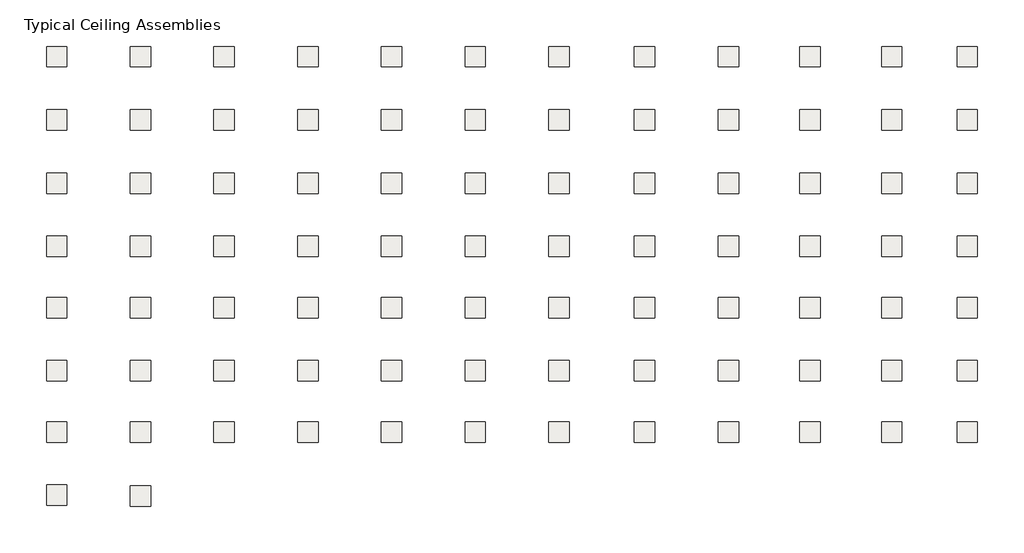
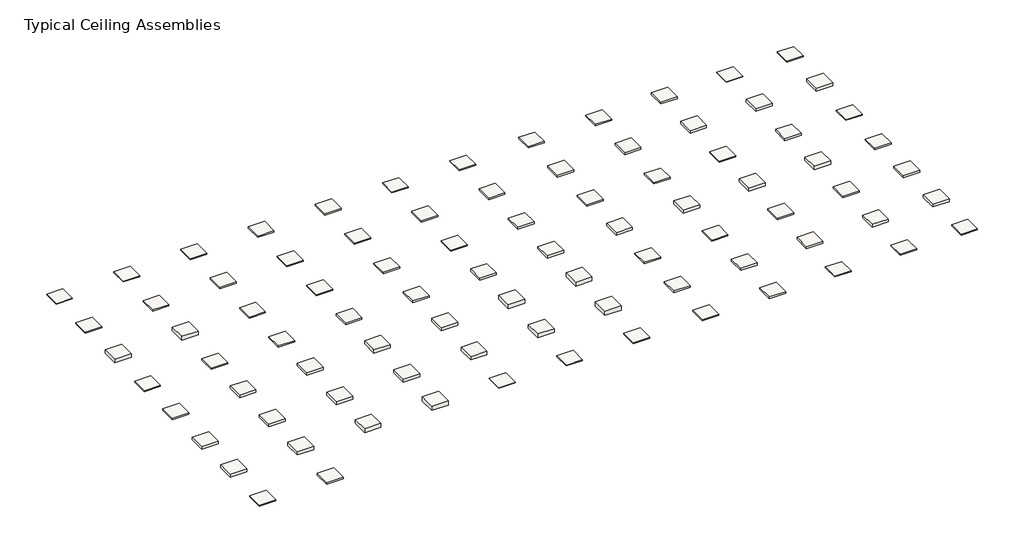
# One storey: 86 coverings.
"""IFC4 building model written with IfcOpenShell, lengths in millimetres."""

import ifcopenshell
import ifcopenshell.guid

model = None  # the IFC model being written
_history = None  # IfcOwnerHistory: only IFC2X3 demands one
_inside = {}  # id of a spatial element -> (the spatial element, [elements in it])
_under = {}  # id of a project, library or spatial element -> (it, [spatial elements below it])
_declared = {}  # id of a project -> (the project, [libraries it declares])
_typed = {}  # id of a type object -> (the type object, [elements of that type])
_made_of = {}  # id of a material, layer set ... -> (it, [elements and type objects made of it])


def new_model(schema):
    """Start an empty IFC model of exactly this schema.

    Asked for "IFC4X3", IfcOpenShell would pick the latest addendum, in which some entities
    have other attributes; the version numbers below select the first issue.
    IFC2X3 requires an IfcOwnerHistory on every rooted entity: one is made here for all.
    """
    global model, _history
    if schema == "IFC4X3":
        model = ifcopenshell.file(schema_version=(4, 3, 0, 0))
    else:
        model = ifcopenshell.file(schema=schema)
    _inside.clear()
    _under.clear()
    _declared.clear()
    _typed.clear()
    _made_of.clear()
    _history = None
    if model.schema == "IFC2X3":
        org = make("IfcOrganization", Name="unknown")
        user = make(
            "IfcPersonAndOrganization",
            ThePerson=make("IfcPerson", FamilyName="unknown"),
            TheOrganization=org,
        )
        app = make(
            "IfcApplication",
            ApplicationDeveloper=org,
            Version="unknown",
            ApplicationFullName="unknown",
            ApplicationIdentifier="unknown",
        )
        _history = make(
            "IfcOwnerHistory",
            OwningUser=user,
            OwningApplication=app,
            ChangeAction="ADDED",
            CreationDate=0,
        )
    return model


def make(cls, **values):
    """One entity of the class cls with the attributes given. An attribute that is None is left unset."""
    return model.create_entity(
        cls, **{name: value for name, value in values.items() if value is not None}
    )


def rooted(cls, **values):
    """An entity with a GlobalId (a new one), such as an element, a storey or a relation."""
    return make(cls, GlobalId=ifcopenshell.guid.new(), OwnerHistory=_history, **values)


def si_unit(unit_type, name, prefix=None):
    """IfcSIUnit, for example si_unit("LENGTHUNIT", "METRE", prefix="MILLI")."""
    return make("IfcSIUnit", UnitType=unit_type, Prefix=prefix, Name=name)


def assignment(units):
    """IfcUnitAssignment: the units of a project."""
    return None if units is None else make("IfcUnitAssignment", Units=units)


def point(xyz):
    """IfcCartesianPoint."""
    return None if xyz is None else make("IfcCartesianPoint", Coordinates=xyz)


def direction(xyz):
    """IfcDirection."""
    return None if xyz is None else make("IfcDirection", DirectionRatios=xyz)


def frame(location, z_axis=None, x_axis=None):
    """IfcAxis2Placement3D, a coordinate frame: its origin and axes. An axis left out is left unset."""
    return make(
        "IfcAxis2Placement3D",
        Location=point(location),
        Axis=direction(z_axis),
        RefDirection=direction(x_axis),
    )


def origin():
    """The frame at (0, 0, 0) with its axes left unset."""
    return frame((0.0, 0.0, 0.0))


def place(relative_to, where):
    """IfcLocalPlacement: puts the frame where relative to a parent placement (None: the world)."""
    return make(
        "IfcLocalPlacement", PlacementRelTo=relative_to, RelativePlacement=where
    )


def context(
    kind, dimensions, precision=None, world=None, true_north=None, identifier=None
):
    """IfcGeometricRepresentationContext, for example the 3D "Model" context."""
    return make(
        "IfcGeometricRepresentationContext",
        ContextIdentifier=identifier,
        ContextType=kind,
        CoordinateSpaceDimension=dimensions,
        Precision=precision,
        WorldCoordinateSystem=world,
        TrueNorth=true_north,
    )


def project(units=None, contexts=None):
    """IfcProject with its units and contexts."""
    return rooted(
        "IfcProject",
        Name="project",
        RepresentationContexts=contexts,
        UnitsInContext=assignment(units),
    )


def spatial(cls, under=None, at=None, **own):
    """A site, building, storey or space (cls), placed at a placement, below another one or the project."""
    s = rooted(cls, ObjectPlacement=at, **own)
    if under is not None:
        _under.setdefault(under.id(), (under, []))[1].append(s)
    return s


def polyline(points):
    """IfcPolyline through the points."""
    return make("IfcPolyline", Points=[point(p) for p in points])


def outline(outer, holes=None, kind="AREA"):
    """IfcArbitraryClosedProfileDef: a profile drawn as a closed curve; with holes, ...WithVoids."""
    if holes is None:
        return make("IfcArbitraryClosedProfileDef", ProfileType=kind, OuterCurve=outer)
    return make(
        "IfcArbitraryProfileDefWithVoids",
        ProfileType=kind,
        OuterCurve=outer,
        InnerCurves=holes,
    )


def extrude(swept, where, along, depth):
    """IfcExtrudedAreaSolid: the profile swept, set in the frame where, extruded along a direction by depth."""
    return make(
        "IfcExtrudedAreaSolid",
        SweptArea=swept,
        Position=where,
        ExtrudedDirection=direction(along),
        Depth=depth,
    )


def shape(context_of_items, identifier, shape_type, items):
    """IfcShapeRepresentation: the items that make up one representation, for example the "Body"."""
    return make(
        "IfcShapeRepresentation",
        ContextOfItems=context_of_items,
        RepresentationIdentifier=identifier,
        RepresentationType=shape_type,
        Items=items,
    )


def made_of(thing, what):
    """Note that an element or type object is made of a material, layer set ...; save() writes the relation."""
    if what is not None:
        _made_of.setdefault(what.id(), (what, []))[1].append(thing)
    return thing


def element(
    cls,
    number,
    at=None,
    inside=None,
    cuts=None,
    type_object=None,
    material=None,
    context=None,
    identifier="Body",
    shape_type=None,
    held_by="IfcProductDefinitionShape",
    body=None,
    shapes=None,
    **own,
):
    """One element of the class cls, such as IfcWall. Its Tag is "e" and its number.

    at: its placement. inside: the storey or other place that contains it. cuts: it is an
    opening in that element (IfcRelVoidsElement). A single representation is given by context,
    identifier, shape_type and body (its items); several are given by shapes. held_by: the class
    of the entity that holds the representations. save() writes the other relations.
    """
    e = rooted(cls, Tag="e%d" % number, ObjectPlacement=at, **own)
    if body is not None:
        shapes = [shape(context, identifier, shape_type, body)]
    if shapes is not None:
        e.Representation = make(held_by, Representations=shapes)
    if inside is not None:
        _inside.setdefault(inside.id(), (inside, []))[1].append(e)
    if cuts is not None:
        rooted(
            "IfcRelVoidsElement", RelatingBuildingElement=cuts, RelatedOpeningElement=e
        )
    if type_object is not None:
        _typed.setdefault(type_object.id(), (type_object, []))[1].append(e)
    return made_of(e, material)


def aggregate(whole, parts):
    """IfcRelAggregates: a whole, such as a stair, and the parts it consists of."""
    return rooted("IfcRelAggregates", RelatingObject=whole, RelatedObjects=parts)


def save(model, path):
    """Write the relations noted so far, then the file.

    IfcRelAggregates (storeys below a building ...), IfcRelContainedInSpatialStructure (elements
    in a storey), IfcRelDefinesByType, IfcRelAssociatesMaterial and IfcRelDeclares: one each for
    every whole, place, type object, material and project.
    """
    for whole, parts in _under.values():
        aggregate(whole, parts)
    for where, things in _inside.values():
        rooted(
            "IfcRelContainedInSpatialStructure",
            RelatedElements=things,
            RelatingStructure=where,
        )
    for kind, things in _typed.values():
        rooted("IfcRelDefinesByType", RelatedObjects=things, RelatingType=kind)
    for what, things in _made_of.values():
        rooted("IfcRelAssociatesMaterial", RelatedObjects=things, RelatingMaterial=what)
    for by, libraries in _declared.values():
        rooted("IfcRelDeclares", RelatingContext=by, RelatedDefinitions=libraries)
    model.write(path)


model = new_model("IFC4")

# Units and contexts
model_context = context("Model", 3, world=origin())
ifc_project = project(units=[si_unit("LENGTHUNIT", "METRE", prefix="MILLI")], contexts=[model_context])

# Site, building, storey
site = spatial("IfcSite", under=ifc_project)
building = spatial("IfcBuilding", under=site)
storey = spatial("IfcBuildingStorey", under=building, Name="Typical Ceiling Assemblies", Elevation=9144.0)

# Coverings
placement = place(None, origin())
element("IfcCovering", 1, at=placement, inside=storey, context=model_context, shape_type="SweptSolid", body=[
    extrude(outline(polyline([(-17656.4886258, 10124.9772106), (-17656.4886258, 8600.9772106), (-19180.4886258, 8600.9772106), (-19180.4886258, 10124.9772106), (-17656.4886258, 10124.9772106)])), frame((0.0, 0.0, 9144.0), z_axis=(0.0, 0.0, 1.0), x_axis=(1.0, 0.0, 0.0)), (0.0, 0.0, 1.0), 57.1500011),
])
element("IfcCovering", 2, at=placement, inside=storey, context=model_context, shape_type="SweptSolid", body=[
    extrude(outline(polyline([(-11408.0886258, 10124.9772106), (-11408.0886258, 8600.9772106), (-12932.0886258, 8600.9772106), (-12932.0886258, 10124.9772106), (-11408.0886258, 10124.9772106)])), frame((0.0, 0.0, 9144.0), z_axis=(0.0, 0.0, 1.0), x_axis=(1.0, 0.0, 0.0)), (0.0, 0.0, 1.0), 79.3749981),
])
element("IfcCovering", 3, at=placement, inside=storey, context=model_context, shape_type="SweptSolid", body=[
    extrude(outline(polyline([(-5159.6886258, 10124.9772106), (-5159.6886258, 8600.9772106), (-6683.6886258, 8600.9772106), (-6683.6886258, 10124.9772106), (-5159.6886258, 10124.9772106)])), frame((0.0, 0.0, 9144.0), z_axis=(0.0, 0.0, 1.0), x_axis=(1.0, 0.0, 0.0)), (0.0, 0.0, 1.0), 107.9500026),
])
element("IfcCovering", 4, at=placement, inside=storey, context=model_context, shape_type="SweptSolid", body=[
    extrude(outline(polyline([(1088.7113742, 10124.9772106), (1088.7113742, 8600.9772106), (-435.2886258, 8600.9772106), (-435.2886258, 10124.9772106), (1088.7113742, 10124.9772106)])), frame((0.0, 0.0, 9144.0), z_axis=(0.0, 0.0, 1.0), x_axis=(1.0, 0.0, 0.0)), (0.0, 0.0, 1.0), 117.4750026),
])
element("IfcCovering", 5, at=placement, inside=storey, context=model_context, shape_type="SweptSolid", body=[
    extrude(outline(polyline([(7337.1113742, 10124.9772106), (7337.1113742, 8600.9772106), (5813.1113742, 8600.9772106), (5813.1113742, 10124.9772106), (7337.1113742, 10124.9772106)])), frame((0.0, 0.0, 9144.0), z_axis=(0.0, 0.0, 1.0), x_axis=(1.0, 0.0, 0.0)), (0.0, 0.0, 1.0), 168.2749996),
])
element("IfcCovering", 6, at=placement, inside=storey, context=model_context, shape_type="SweptSolid", body=[
    extrude(outline(polyline([(13585.5113742, 10124.9772106), (13585.5113742, 8600.9772106), (12061.5113742, 8600.9772106), (12061.5113742, 10124.9772106), (13585.5113742, 10124.9772106)])), frame((0.0, 0.0, 9144.0), z_axis=(0.0, 0.0, 1.0), x_axis=(1.0, 0.0, 0.0)), (0.0, 0.0, 1.0), 57.1500011),
])
element("IfcCovering", 7, at=placement, inside=storey, context=model_context, shape_type="SweptSolid", body=[
    extrude(outline(polyline([(19833.9113742, 10124.9772106), (19833.9113742, 8600.9772106), (18309.9113742, 8600.9772106), (18309.9113742, 10124.9772106), (19833.9113742, 10124.9772106)])), frame((0.0, 0.0, 9144.0), z_axis=(0.0, 0.0, 1.0), x_axis=(1.0, 0.0, 0.0)), (0.0, 0.0, 1.0), 79.3749981),
])
element("IfcCovering", 8, at=placement, inside=storey, context=model_context, shape_type="SweptSolid", body=[
    extrude(outline(polyline([(26234.7113742, 10124.9772106), (26234.7113742, 8600.9772106), (24710.7113742, 8600.9772106), (24710.7113742, 10124.9772106), (26234.7113742, 10124.9772106)])), frame((0.0, 0.0, 9144.0), z_axis=(0.0, 0.0, 1.0), x_axis=(1.0, 0.0, 0.0)), (0.0, 0.0, 1.0), 107.9500026),
])
element("IfcCovering", 9, at=placement, inside=storey, context=model_context, shape_type="SweptSolid", body=[
    extrude(outline(polyline([(32483.1113742, 10124.9772106), (32483.1113742, 8600.9772106), (30959.1113742, 8600.9772106), (30959.1113742, 10124.9772106), (32483.1113742, 10124.9772106)])), frame((0.0, 0.0, 9144.0), z_axis=(0.0, 0.0, 1.0), x_axis=(1.0, 0.0, 0.0)), (0.0, 0.0, 1.0), 117.4750026),
])
element("IfcCovering", 10, at=placement, inside=storey, context=model_context, shape_type="SweptSolid", body=[
    extrude(outline(polyline([(38579.1113742, 10124.9772106), (38579.1113742, 8600.9772106), (37055.1113742, 8600.9772106), (37055.1113742, 10124.9772106), (38579.1113742, 10124.9772106)])), frame((0.0, 0.0, 9144.0), z_axis=(0.0, 0.0, 1.0), x_axis=(1.0, 0.0, 0.0)), (0.0, 0.0, 1.0), 168.2749996),
])
element("IfcCovering", 11, at=placement, inside=storey, context=model_context, shape_type="SweptSolid", body=[
    extrude(outline(polyline([(44675.1113742, 10124.9772106), (44675.1113742, 8600.9772106), (43151.1113742, 8600.9772106), (43151.1113742, 10124.9772106), (44675.1113742, 10124.9772106)])), frame((0.0, 0.0, 9144.0), z_axis=(0.0, 0.0, 1.0), x_axis=(1.0, 0.0, 0.0)), (0.0, 0.0, 1.0), 57.1500011),
])
element("IfcCovering", 12, at=placement, inside=storey, context=model_context, shape_type="SweptSolid", body=[
    extrude(outline(polyline([(50313.9113742, 10124.9772106), (50313.9113742, 8600.9772106), (48789.9113742, 8600.9772106), (48789.9113742, 10124.9772106), (50313.9113742, 10124.9772106)])), frame((0.0, 0.0, 9144.0), z_axis=(0.0, 0.0, 1.0), x_axis=(1.0, 0.0, 0.0)), (0.0, 0.0, 1.0), 79.3749981),
])
element("IfcCovering", 13, at=placement, inside=storey, context=model_context, shape_type="SweptSolid", body=[
    extrude(outline(polyline([(-17656.4886258, 5400.5772106), (-17656.4886258, 3876.5772106), (-19180.4886258, 3876.5772106), (-19180.4886258, 5400.5772106), (-17656.4886258, 5400.5772106)])), frame((0.0, 0.0, 9144.0), z_axis=(0.0, 0.0, 1.0), x_axis=(1.0, 0.0, 0.0)), (0.0, 0.0, 1.0), 107.9500026),
])
element("IfcCovering", 14, at=placement, inside=storey, context=model_context, shape_type="SweptSolid", body=[
    extrude(outline(polyline([(-11408.0886258, 5400.5772106), (-11408.0886258, 3876.5772106), (-12932.0886258, 3876.5772106), (-12932.0886258, 5400.5772106), (-11408.0886258, 5400.5772106)])), frame((0.0, 0.0, 9144.0), z_axis=(0.0, 0.0, 1.0), x_axis=(1.0, 0.0, 0.0)), (0.0, 0.0, 1.0), 117.4750026),
])
element("IfcCovering", 15, at=placement, inside=storey, context=model_context, shape_type="SweptSolid", body=[
    extrude(outline(polyline([(-5159.6886258, 5400.5772106), (-5159.6886258, 3876.5772106), (-6683.6886258, 3876.5772106), (-6683.6886258, 5400.5772106), (-5159.6886258, 5400.5772106)])), frame((0.0, 0.0, 9144.0), z_axis=(0.0, 0.0, 1.0), x_axis=(1.0, 0.0, 0.0)), (0.0, 0.0, 1.0), 168.2749996),
])
element("IfcCovering", 16, at=placement, inside=storey, context=model_context, shape_type="SweptSolid", body=[
    extrude(outline(polyline([(1088.7113742, 5400.5772106), (1088.7113742, 3876.5772106), (-435.2886258, 3876.5772106), (-435.2886258, 5400.5772106), (1088.7113742, 5400.5772106)])), frame((0.0, 0.0, 9144.0), z_axis=(0.0, 0.0, 1.0), x_axis=(1.0, 0.0, 0.0)), (0.0, 0.0, 1.0), 107.9500026),
])
element("IfcCovering", 17, at=placement, inside=storey, context=model_context, shape_type="SweptSolid", body=[
    extrude(outline(polyline([(7337.1113742, 5400.5772106), (7337.1113742, 3876.5772106), (5813.1113742, 3876.5772106), (5813.1113742, 5400.5772106), (7337.1113742, 5400.5772106)])), frame((0.0, 0.0, 9144.0), z_axis=(0.0, 0.0, 1.0), x_axis=(1.0, 0.0, 0.0)), (0.0, 0.0, 1.0), 117.4750026),
])
element("IfcCovering", 18, at=placement, inside=storey, context=model_context, shape_type="SweptSolid", body=[
    extrude(outline(polyline([(13585.5113742, 5400.5772106), (13585.5113742, 3876.5772106), (12061.5113742, 3876.5772106), (12061.5113742, 5400.5772106), (13585.5113742, 5400.5772106)])), frame((0.0, 0.0, 9144.0), z_axis=(0.0, 0.0, 1.0), x_axis=(1.0, 0.0, 0.0)), (0.0, 0.0, 1.0), 155.5750026),
])
element("IfcCovering", 19, at=placement, inside=storey, context=model_context, shape_type="SweptSolid", body=[
    extrude(outline(polyline([(19833.9113742, 5400.5772106), (19833.9113742, 3876.5772106), (18309.9113742, 3876.5772106), (18309.9113742, 5400.5772106), (19833.9113742, 5400.5772106)])), frame((0.0, 0.0, 9144.0), z_axis=(0.0, 0.0, 1.0), x_axis=(1.0, 0.0, 0.0)), (0.0, 0.0, 1.0), 168.2749996),
])
element("IfcCovering", 20, at=placement, inside=storey, context=model_context, shape_type="SweptSolid", body=[
    extrude(outline(polyline([(26234.7113742, 5400.5772106), (26234.7113742, 3876.5772106), (24710.7113742, 3876.5772106), (24710.7113742, 5400.5772106), (26234.7113742, 5400.5772106)])), frame((0.0, 0.0, 9144.0), z_axis=(0.0, 0.0, 1.0), x_axis=(1.0, 0.0, 0.0)), (0.0, 0.0, 1.0), 200.0250057),
])
element("IfcCovering", 21, at=placement, inside=storey, context=model_context, shape_type="SweptSolid", body=[
    extrude(outline(polyline([(32483.1113742, 5400.5772106), (32483.1113742, 3876.5772106), (30959.1113742, 3876.5772106), (30959.1113742, 5400.5772106), (32483.1113742, 5400.5772106)])), frame((0.0, 0.0, 9144.0), z_axis=(0.0, 0.0, 1.0), x_axis=(1.0, 0.0, 0.0)), (0.0, 0.0, 1.0), 219.0750057),
])
element("IfcCovering", 22, at=placement, inside=storey, context=model_context, shape_type="SweptSolid", body=[
    extrude(outline(polyline([(38579.1113742, 5400.5772106), (38579.1113742, 3876.5772106), (37055.1113742, 3876.5772106), (37055.1113742, 5400.5772106), (38579.1113742, 5400.5772106)])), frame((0.0, 0.0, 9144.0), z_axis=(0.0, 0.0, 1.0), x_axis=(1.0, 0.0, 0.0)), (0.0, 0.0, 1.0), 250.8249936),
])
element("IfcCovering", 23, at=placement, inside=storey, context=model_context, shape_type="SweptSolid", body=[
    extrude(outline(polyline([(44675.1113742, 5400.5772106), (44675.1113742, 3876.5772106), (43151.1113742, 3876.5772106), (43151.1113742, 5400.5772106), (44675.1113742, 5400.5772106)])), frame((0.0, 0.0, 9144.0), z_axis=(0.0, 0.0, 1.0), x_axis=(1.0, 0.0, 0.0)), (0.0, 0.0, 1.0), 269.8749936),
])
element("IfcCovering", 24, at=placement, inside=storey, context=model_context, shape_type="SweptSolid", body=[
    extrude(outline(polyline([(50313.9113742, 5400.5772106), (50313.9113742, 3876.5772106), (48789.9113742, 3876.5772106), (48789.9113742, 5400.5772106), (50313.9113742, 5400.5772106)])), frame((0.0, 0.0, 9144.0), z_axis=(0.0, 0.0, 1.0), x_axis=(1.0, 0.0, 0.0)), (0.0, 0.0, 1.0), 307.9749936),
])
element("IfcCovering", 25, at=placement, inside=storey, context=model_context, shape_type="SweptSolid", body=[
    extrude(outline(polyline([(-17656.4886258, 676.1772106), (-17656.4886258, -847.8227894), (-19180.4886258, -847.8227894), (-19180.4886258, 676.1772106), (-17656.4886258, 676.1772106)])), frame((0.0, 0.0, 9144.0), z_axis=(0.0, 0.0, 1.0), x_axis=(1.0, 0.0, 0.0)), (0.0, 0.0, 1.0), 320.6749996),
])
element("IfcCovering", 26, at=placement, inside=storey, context=model_context, shape_type="SweptSolid", body=[
    extrude(outline(polyline([(-11408.0886258, 676.1772106), (-11408.0886258, -847.8227894), (-12932.0886258, -847.8227894), (-12932.0886258, 676.1772106), (-11408.0886258, 676.1772106)])), frame((0.0, 0.0, 9144.0), z_axis=(0.0, 0.0, 1.0), x_axis=(1.0, 0.0, 0.0)), (0.0, 0.0, 1.0), 371.4749875),
])
element("IfcCovering", 27, at=placement, inside=storey, context=model_context, shape_type="SweptSolid", body=[
    extrude(outline(polyline([(-5159.6886258, 676.1772106), (-5159.6886258, -847.8227894), (-6683.6886258, -847.8227894), (-6683.6886258, 676.1772106), (-5159.6886258, 676.1772106)])), frame((0.0, 0.0, 9144.0), z_axis=(0.0, 0.0, 1.0), x_axis=(1.0, 0.0, 0.0)), (0.0, 0.0, 1.0), 79.3749981),
])
element("IfcCovering", 28, at=placement, inside=storey, context=model_context, shape_type="SweptSolid", body=[
    extrude(outline(polyline([(1088.7113742, 676.1772106), (1088.7113742, -847.8227894), (-435.2886258, -847.8227894), (-435.2886258, 676.1772106), (1088.7113742, 676.1772106)])), frame((0.0, 0.0, 9144.0), z_axis=(0.0, 0.0, 1.0), x_axis=(1.0, 0.0, 0.0)), (0.0, 0.0, 1.0), 104.7749966),
])
element("IfcCovering", 29, at=placement, inside=storey, context=model_context, shape_type="SweptSolid", body=[
    extrude(outline(polyline([(7337.1113742, 676.1772106), (7337.1113742, -847.8227894), (5813.1113742, -847.8227894), (5813.1113742, 676.1772106), (7337.1113742, 676.1772106)])), frame((0.0, 0.0, 9144.0), z_axis=(0.0, 0.0, 1.0), x_axis=(1.0, 0.0, 0.0)), (0.0, 0.0, 1.0), 107.9500026),
])
element("IfcCovering", 30, at=placement, inside=storey, context=model_context, shape_type="SweptSolid", body=[
    extrude(outline(polyline([(13585.5113742, 676.1772106), (13585.5113742, -847.8227894), (12061.5113742, -847.8227894), (12061.5113742, 676.1772106), (13585.5113742, 676.1772106)])), frame((0.0, 0.0, 9144.0), z_axis=(0.0, 0.0, 1.0), x_axis=(1.0, 0.0, 0.0)), (0.0, 0.0, 1.0), 117.4750026),
])
element("IfcCovering", 31, at=placement, inside=storey, context=model_context, shape_type="SweptSolid", body=[
    extrude(outline(polyline([(19833.9113742, 676.1772106), (19833.9113742, -847.8227894), (18309.9113742, -847.8227894), (18309.9113742, 676.1772106), (19833.9113742, 676.1772106)])), frame((0.0, 0.0, 9144.0), z_axis=(0.0, 0.0, 1.0), x_axis=(1.0, 0.0, 0.0)), (0.0, 0.0, 1.0), 155.5750026),
])
element("IfcCovering", 32, at=placement, inside=storey, context=model_context, shape_type="SweptSolid", body=[
    extrude(outline(polyline([(26234.7113742, 676.1772106), (26234.7113742, -847.8227894), (24710.7113742, -847.8227894), (24710.7113742, 676.1772106), (26234.7113742, 676.1772106)])), frame((0.0, 0.0, 9144.0), z_axis=(0.0, 0.0, 1.0), x_axis=(1.0, 0.0, 0.0)), (0.0, 0.0, 1.0), 168.2749996),
])
element("IfcCovering", 33, at=placement, inside=storey, context=model_context, shape_type="SweptSolid", body=[
    extrude(outline(polyline([(32483.1113742, 676.1772106), (32483.1113742, -847.8227894), (30959.1113742, -847.8227894), (30959.1113742, 676.1772106), (32483.1113742, 676.1772106)])), frame((0.0, 0.0, 9144.0), z_axis=(0.0, 0.0, 1.0), x_axis=(1.0, 0.0, 0.0)), (0.0, 0.0, 1.0), 107.9500026),
])
element("IfcCovering", 34, at=placement, inside=storey, context=model_context, shape_type="SweptSolid", body=[
    extrude(outline(polyline([(38579.1113742, 676.1772106), (38579.1113742, -847.8227894), (37055.1113742, -847.8227894), (37055.1113742, 676.1772106), (38579.1113742, 676.1772106)])), frame((0.0, 0.0, 9144.0), z_axis=(0.0, 0.0, 1.0), x_axis=(1.0, 0.0, 0.0)), (0.0, 0.0, 1.0), 117.4750026),
])
element("IfcCovering", 35, at=placement, inside=storey, context=model_context, shape_type="SweptSolid", body=[
    extrude(outline(polyline([(44675.1113742, 676.1772106), (44675.1113742, -847.8227894), (43151.1113742, -847.8227894), (43151.1113742, 676.1772106), (44675.1113742, 676.1772106)])), frame((0.0, 0.0, 9144.0), z_axis=(0.0, 0.0, 1.0), x_axis=(1.0, 0.0, 0.0)), (0.0, 0.0, 1.0), 168.2749996),
])
element("IfcCovering", 36, at=placement, inside=storey, context=model_context, shape_type="SweptSolid", body=[
    extrude(outline(polyline([(50313.9113742, 676.1772106), (50313.9113742, -847.8227894), (48789.9113742, -847.8227894), (48789.9113742, 676.1772106), (50313.9113742, 676.1772106)])), frame((0.0, 0.0, 9144.0), z_axis=(0.0, 0.0, 1.0), x_axis=(1.0, 0.0, 0.0)), (0.0, 0.0, 1.0), 79.3749981),
])
element("IfcCovering", 37, at=placement, inside=storey, context=model_context, shape_type="SweptSolid", body=[
    extrude(outline(polyline([(-17656.4886258, -4048.2227894), (-17656.4886258, -5572.2227894), (-19180.4886258, -5572.2227894), (-19180.4886258, -4048.2227894), (-17656.4886258, -4048.2227894)])), frame((0.0, 0.0, 9144.0), z_axis=(0.0, 0.0, 1.0), x_axis=(1.0, 0.0, 0.0)), (0.0, 0.0, 1.0), 104.7749966),
])
element("IfcCovering", 38, at=placement, inside=storey, context=model_context, shape_type="SweptSolid", body=[
    extrude(outline(polyline([(-11408.0886258, -4048.2227894), (-11408.0886258, -5572.2227894), (-12932.0886258, -5572.2227894), (-12932.0886258, -4048.2227894), (-11408.0886258, -4048.2227894)])), frame((0.0, 0.0, 9144.0), z_axis=(0.0, 0.0, 1.0), x_axis=(1.0, 0.0, 0.0)), (0.0, 0.0, 1.0), 107.9500026),
])
element("IfcCovering", 39, at=placement, inside=storey, context=model_context, shape_type="SweptSolid", body=[
    extrude(outline(polyline([(-5159.6886258, -4048.2227894), (-5159.6886258, -5572.2227894), (-6683.6886258, -5572.2227894), (-6683.6886258, -4048.2227894), (-5159.6886258, -4048.2227894)])), frame((0.0, 0.0, 9144.0), z_axis=(0.0, 0.0, 1.0), x_axis=(1.0, 0.0, 0.0)), (0.0, 0.0, 1.0), 117.4750026),
])
element("IfcCovering", 40, at=placement, inside=storey, context=model_context, shape_type="SweptSolid", body=[
    extrude(outline(polyline([(1088.7113742, -4048.2227894), (1088.7113742, -5572.2227894), (-435.2886258, -5572.2227894), (-435.2886258, -4048.2227894), (1088.7113742, -4048.2227894)])), frame((0.0, 0.0, 9144.0), z_axis=(0.0, 0.0, 1.0), x_axis=(1.0, 0.0, 0.0)), (0.0, 0.0, 1.0), 155.5750026),
])
element("IfcCovering", 41, at=placement, inside=storey, context=model_context, shape_type="SweptSolid", body=[
    extrude(outline(polyline([(7337.1113742, -4048.2227894), (7337.1113742, -5572.2227894), (5813.1113742, -5572.2227894), (5813.1113742, -4048.2227894), (7337.1113742, -4048.2227894)])), frame((0.0, 0.0, 9144.0), z_axis=(0.0, 0.0, 1.0), x_axis=(1.0, 0.0, 0.0)), (0.0, 0.0, 1.0), 168.2749996),
])
element("IfcCovering", 42, at=placement, inside=storey, context=model_context, shape_type="SweptSolid", body=[
    extrude(outline(polyline([(13585.5113742, -4048.2227894), (13585.5113742, -5572.2227894), (12061.5113742, -5572.2227894), (12061.5113742, -4048.2227894), (13585.5113742, -4048.2227894)])), frame((0.0, 0.0, 9144.0), z_axis=(0.0, 0.0, 1.0), x_axis=(1.0, 0.0, 0.0)), (0.0, 0.0, 1.0), 200.0250057),
])
element("IfcCovering", 43, at=placement, inside=storey, context=model_context, shape_type="SweptSolid", body=[
    extrude(outline(polyline([(19833.9113742, -4048.2227894), (19833.9113742, -5572.2227894), (18309.9113742, -5572.2227894), (18309.9113742, -4048.2227894), (19833.9113742, -4048.2227894)])), frame((0.0, 0.0, 9144.0), z_axis=(0.0, 0.0, 1.0), x_axis=(1.0, 0.0, 0.0)), (0.0, 0.0, 1.0), 219.0750057),
])
element("IfcCovering", 44, at=placement, inside=storey, context=model_context, shape_type="SweptSolid", body=[
    extrude(outline(polyline([(26234.7113742, -4048.2227894), (26234.7113742, -5572.2227894), (24710.7113742, -5572.2227894), (24710.7113742, -4048.2227894), (26234.7113742, -4048.2227894)])), frame((0.0, 0.0, 9144.0), z_axis=(0.0, 0.0, 1.0), x_axis=(1.0, 0.0, 0.0)), (0.0, 0.0, 1.0), 250.8249936),
])
element("IfcCovering", 45, at=placement, inside=storey, context=model_context, shape_type="SweptSolid", body=[
    extrude(outline(polyline([(32483.1113742, -4048.2227894), (32483.1113742, -5572.2227894), (30959.1113742, -5572.2227894), (30959.1113742, -4048.2227894), (32483.1113742, -4048.2227894)])), frame((0.0, 0.0, 9144.0), z_axis=(0.0, 0.0, 1.0), x_axis=(1.0, 0.0, 0.0)), (0.0, 0.0, 1.0), 269.8749936),
])
element("IfcCovering", 46, at=placement, inside=storey, context=model_context, shape_type="SweptSolid", body=[
    extrude(outline(polyline([(38579.1113742, -4048.2227894), (38579.1113742, -5572.2227894), (37055.1113742, -5572.2227894), (37055.1113742, -4048.2227894), (38579.1113742, -4048.2227894)])), frame((0.0, 0.0, 9144.0), z_axis=(0.0, 0.0, 1.0), x_axis=(1.0, 0.0, 0.0)), (0.0, 0.0, 1.0), 307.9749936),
])
element("IfcCovering", 47, at=placement, inside=storey, context=model_context, shape_type="SweptSolid", body=[
    extrude(outline(polyline([(44675.1113742, -4048.2227894), (44675.1113742, -5572.2227894), (43151.1113742, -5572.2227894), (43151.1113742, -4048.2227894), (44675.1113742, -4048.2227894)])), frame((0.0, 0.0, 9144.0), z_axis=(0.0, 0.0, 1.0), x_axis=(1.0, 0.0, 0.0)), (0.0, 0.0, 1.0), 320.6749996),
])
element("IfcCovering", 48, at=placement, inside=storey, context=model_context, shape_type="SweptSolid", body=[
    extrude(outline(polyline([(50313.9113742, -4048.2227894), (50313.9113742, -5572.2227894), (48789.9113742, -5572.2227894), (48789.9113742, -4048.2227894), (50313.9113742, -4048.2227894)])), frame((0.0, 0.0, 9144.0), z_axis=(0.0, 0.0, 1.0), x_axis=(1.0, 0.0, 0.0)), (0.0, 0.0, 1.0), 117.4750026),
])
element("IfcCovering", 49, at=placement, inside=storey, context=model_context, shape_type="SweptSolid", body=[
    extrude(outline(polyline([(-17656.4886258, -8620.2227894), (-17656.4886258, -10144.2227894), (-19180.4886258, -10144.2227894), (-19180.4886258, -8620.2227894), (-17656.4886258, -8620.2227894)])), frame((0.0, 0.0, 9144.0), z_axis=(0.0, 0.0, 1.0), x_axis=(1.0, 0.0, 0.0)), (0.0, 0.0, 1.0), 168.2749996),
])
element("IfcCovering", 50, at=placement, inside=storey, context=model_context, shape_type="SweptSolid", body=[
    extrude(outline(polyline([(-11408.0886258, -8620.2227894), (-11408.0886258, -10144.2227894), (-12932.0886258, -10144.2227894), (-12932.0886258, -8620.2227894), (-11408.0886258, -8620.2227894)])), frame((0.0, 0.0, 9144.0), z_axis=(0.0, 0.0, 1.0), x_axis=(1.0, 0.0, 0.0)), (0.0, 0.0, 1.0), 219.0750057),
])
element("IfcCovering", 51, at=placement, inside=storey, context=model_context, shape_type="SweptSolid", body=[
    extrude(outline(polyline([(-5159.6886258, -8620.2227894), (-5159.6886258, -10144.2227894), (-6683.6886258, -10144.2227894), (-6683.6886258, -8620.2227894), (-5159.6886258, -8620.2227894)])), frame((0.0, 0.0, 9144.0), z_axis=(0.0, 0.0, 1.0), x_axis=(1.0, 0.0, 0.0)), (0.0, 0.0, 1.0), 269.8749936),
])
element("IfcCovering", 52, at=placement, inside=storey, context=model_context, shape_type="SweptSolid", body=[
    extrude(outline(polyline([(1088.7113742, -8620.2227894), (1088.7113742, -10144.2227894), (-435.2886258, -10144.2227894), (-435.2886258, -8620.2227894), (1088.7113742, -8620.2227894)])), frame((0.0, 0.0, 9144.0), z_axis=(0.0, 0.0, 1.0), x_axis=(1.0, 0.0, 0.0)), (0.0, 0.0, 1.0), 307.9749936),
])
element("IfcCovering", 53, at=placement, inside=storey, context=model_context, shape_type="SweptSolid", body=[
    extrude(outline(polyline([(7337.1113742, -8620.2227894), (7337.1113742, -10144.2227894), (5813.1113742, -10144.2227894), (5813.1113742, -8620.2227894), (7337.1113742, -8620.2227894)])), frame((0.0, 0.0, 9144.0), z_axis=(0.0, 0.0, 1.0), x_axis=(1.0, 0.0, 0.0)), (0.0, 0.0, 1.0), 320.6749996),
])
element("IfcCovering", 54, at=placement, inside=storey, context=model_context, shape_type="SweptSolid", body=[
    extrude(outline(polyline([(13585.5113742, -8620.2227894), (13585.5113742, -10144.2227894), (12061.5113742, -10144.2227894), (12061.5113742, -8620.2227894), (13585.5113742, -8620.2227894)])), frame((0.0, 0.0, 9144.0), z_axis=(0.0, 0.0, 1.0), x_axis=(1.0, 0.0, 0.0)), (0.0, 0.0, 1.0), 371.4749875),
])
element("IfcCovering", 55, at=placement, inside=storey, context=model_context, shape_type="SweptSolid", body=[
    extrude(outline(polyline([(19833.9113742, -8620.2227894), (19833.9113742, -10144.2227894), (18309.9113742, -10144.2227894), (18309.9113742, -8620.2227894), (19833.9113742, -8620.2227894)])), frame((0.0, 0.0, 9144.0), z_axis=(0.0, 0.0, 1.0), x_axis=(1.0, 0.0, 0.0)), (0.0, 0.0, 1.0), 422.2750117),
])
element("IfcCovering", 56, at=placement, inside=storey, context=model_context, shape_type="SweptSolid", body=[
    extrude(outline(polyline([(26234.7113742, -8620.2227894), (26234.7113742, -10144.2227894), (24710.7113742, -10144.2227894), (24710.7113742, -8620.2227894), (26234.7113742, -8620.2227894)])), frame((0.0, 0.0, 9144.0), z_axis=(0.0, 0.0, 1.0), x_axis=(1.0, 0.0, 0.0)), (0.0, 0.0, 1.0), 107.9500026),
])
element("IfcCovering", 57, at=placement, inside=storey, context=model_context, shape_type="SweptSolid", body=[
    extrude(outline(polyline([(32483.1113742, -8620.2227894), (32483.1113742, -10144.2227894), (30959.1113742, -10144.2227894), (30959.1113742, -8620.2227894), (32483.1113742, -8620.2227894)])), frame((0.0, 0.0, 9144.0), z_axis=(0.0, 0.0, 1.0), x_axis=(1.0, 0.0, 0.0)), (0.0, 0.0, 1.0), 117.4750026),
])
element("IfcCovering", 58, at=placement, inside=storey, context=model_context, shape_type="SweptSolid", body=[
    extrude(outline(polyline([(38579.1113742, -8620.2227894), (38579.1113742, -10144.2227894), (37055.1113742, -10144.2227894), (37055.1113742, -8620.2227894), (38579.1113742, -8620.2227894)])), frame((0.0, 0.0, 9144.0), z_axis=(0.0, 0.0, 1.0), x_axis=(1.0, 0.0, 0.0)), (0.0, 0.0, 1.0), 155.5750026),
])
element("IfcCovering", 59, at=placement, inside=storey, context=model_context, shape_type="SweptSolid", body=[
    extrude(outline(polyline([(44675.1113742, -8620.2227894), (44675.1113742, -10144.2227894), (43151.1113742, -10144.2227894), (43151.1113742, -8620.2227894), (44675.1113742, -8620.2227894)])), frame((0.0, 0.0, 9144.0), z_axis=(0.0, 0.0, 1.0), x_axis=(1.0, 0.0, 0.0)), (0.0, 0.0, 1.0), 168.2749996),
])
element("IfcCovering", 60, at=placement, inside=storey, context=model_context, shape_type="SweptSolid", body=[
    extrude(outline(polyline([(50313.9113742, -8620.2227894), (50313.9113742, -10144.2227894), (48789.9113742, -10144.2227894), (48789.9113742, -8620.2227894), (50313.9113742, -8620.2227894)])), frame((0.0, 0.0, 9144.0), z_axis=(0.0, 0.0, 1.0), x_axis=(1.0, 0.0, 0.0)), (0.0, 0.0, 1.0), 200.0250057),
])
element("IfcCovering", 61, at=placement, inside=storey, context=model_context, shape_type="SweptSolid", body=[
    extrude(outline(polyline([(-17656.4886258, -13344.6227894), (-17656.4886258, -14868.6227894), (-19180.4886258, -14868.6227894), (-19180.4886258, -13344.6227894), (-17656.4886258, -13344.6227894)])), frame((0.0, 0.0, 9144.0), z_axis=(0.0, 0.0, 1.0), x_axis=(1.0, 0.0, 0.0)), (0.0, 0.0, 1.0), 219.0750057),
])
element("IfcCovering", 62, at=placement, inside=storey, context=model_context, shape_type="SweptSolid", body=[
    extrude(outline(polyline([(-11408.0886258, -13344.6227894), (-11408.0886258, -14868.6227894), (-12932.0886258, -14868.6227894), (-12932.0886258, -13344.6227894), (-11408.0886258, -13344.6227894)])), frame((0.0, 0.0, 9144.0), z_axis=(0.0, 0.0, 1.0), x_axis=(1.0, 0.0, 0.0)), (0.0, 0.0, 1.0), 250.8249936),
])
element("IfcCovering", 63, at=placement, inside=storey, context=model_context, shape_type="SweptSolid", body=[
    extrude(outline(polyline([(-5159.6886258, -13344.6227894), (-5159.6886258, -14868.6227894), (-6683.6886258, -14868.6227894), (-6683.6886258, -13344.6227894), (-5159.6886258, -13344.6227894)])), frame((0.0, 0.0, 9144.0), z_axis=(0.0, 0.0, 1.0), x_axis=(1.0, 0.0, 0.0)), (0.0, 0.0, 1.0), 269.8749936),
])
element("IfcCovering", 64, at=placement, inside=storey, context=model_context, shape_type="SweptSolid", body=[
    extrude(outline(polyline([(1088.7113742, -13344.6227894), (1088.7113742, -14868.6227894), (-435.2886258, -14868.6227894), (-435.2886258, -13344.6227894), (1088.7113742, -13344.6227894)])), frame((0.0, 0.0, 9144.0), z_axis=(0.0, 0.0, 1.0), x_axis=(1.0, 0.0, 0.0)), (0.0, 0.0, 1.0), 307.9749936),
])
element("IfcCovering", 65, at=placement, inside=storey, context=model_context, shape_type="SweptSolid", body=[
    extrude(outline(polyline([(7337.1113742, -13344.6227894), (7337.1113742, -14868.6227894), (5813.1113742, -14868.6227894), (5813.1113742, -13344.6227894), (7337.1113742, -13344.6227894)])), frame((0.0, 0.0, 9144.0), z_axis=(0.0, 0.0, 1.0), x_axis=(1.0, 0.0, 0.0)), (0.0, 0.0, 1.0), 320.6749996),
])
element("IfcCovering", 66, at=placement, inside=storey, context=model_context, shape_type="SweptSolid", body=[
    extrude(outline(polyline([(13585.5113742, -13344.6227894), (13585.5113742, -14868.6227894), (12061.5113742, -14868.6227894), (12061.5113742, -13344.6227894), (13585.5113742, -13344.6227894)])), frame((0.0, 0.0, 9144.0), z_axis=(0.0, 0.0, 1.0), x_axis=(1.0, 0.0, 0.0)), (0.0, 0.0, 1.0), 371.4749875),
])
element("IfcCovering", 67, at=placement, inside=storey, context=model_context, shape_type="SweptSolid", body=[
    extrude(outline(polyline([(19833.9113742, -13344.6227894), (19833.9113742, -14868.6227894), (18309.9113742, -14868.6227894), (18309.9113742, -13344.6227894), (19833.9113742, -13344.6227894)])), frame((0.0, 0.0, 9144.0), z_axis=(0.0, 0.0, 1.0), x_axis=(1.0, 0.0, 0.0)), (0.0, 0.0, 1.0), 422.2750117),
])
element("IfcCovering", 68, at=placement, inside=storey, context=model_context, shape_type="SweptSolid", body=[
    extrude(outline(polyline([(26234.7113742, -13344.6227894), (26234.7113742, -14868.6227894), (24710.7113742, -14868.6227894), (24710.7113742, -13344.6227894), (26234.7113742, -13344.6227894)])), frame((0.0, 0.0, 9144.0), z_axis=(0.0, 0.0, 1.0), x_axis=(1.0, 0.0, 0.0)), (0.0, 0.0, 1.0), 168.2749996),
])
element("IfcCovering", 69, at=placement, inside=storey, context=model_context, shape_type="SweptSolid", body=[
    extrude(outline(polyline([(32483.1113742, -13344.6227894), (32483.1113742, -14868.6227894), (30959.1113742, -14868.6227894), (30959.1113742, -13344.6227894), (32483.1113742, -13344.6227894)])), frame((0.0, 0.0, 9144.0), z_axis=(0.0, 0.0, 1.0), x_axis=(1.0, 0.0, 0.0)), (0.0, 0.0, 1.0), 200.0250057),
])
element("IfcCovering", 70, at=placement, inside=storey, context=model_context, shape_type="SweptSolid", body=[
    extrude(outline(polyline([(38579.1113742, -13344.6227894), (38579.1113742, -14868.6227894), (37055.1113742, -14868.6227894), (37055.1113742, -13344.6227894), (38579.1113742, -13344.6227894)])), frame((0.0, 0.0, 9144.0), z_axis=(0.0, 0.0, 1.0), x_axis=(1.0, 0.0, 0.0)), (0.0, 0.0, 1.0), 219.0750057),
])
element("IfcCovering", 71, at=placement, inside=storey, context=model_context, shape_type="SweptSolid", body=[
    extrude(outline(polyline([(44675.1113742, -13344.6227894), (44675.1113742, -14868.6227894), (43151.1113742, -14868.6227894), (43151.1113742, -13344.6227894), (44675.1113742, -13344.6227894)])), frame((0.0, 0.0, 9144.0), z_axis=(0.0, 0.0, 1.0), x_axis=(1.0, 0.0, 0.0)), (0.0, 0.0, 1.0), 250.8249936),
])
element("IfcCovering", 72, at=placement, inside=storey, context=model_context, shape_type="SweptSolid", body=[
    extrude(outline(polyline([(50313.9113742, -13344.6227894), (50313.9113742, -14868.6227894), (48789.9113742, -14868.6227894), (48789.9113742, -13344.6227894), (50313.9113742, -13344.6227894)])), frame((0.0, 0.0, 9144.0), z_axis=(0.0, 0.0, 1.0), x_axis=(1.0, 0.0, 0.0)), (0.0, 0.0, 1.0), 269.8749936),
])
element("IfcCovering", 73, at=placement, inside=storey, context=model_context, shape_type="SweptSolid", body=[
    extrude(outline(polyline([(-17656.4886258, -17916.6227894), (-17656.4886258, -19440.6227894), (-19180.4886258, -19440.6227894), (-19180.4886258, -17916.6227894), (-17656.4886258, -17916.6227894)])), frame((0.0, 0.0, 9144.0), z_axis=(0.0, 0.0, 1.0), x_axis=(1.0, 0.0, 0.0)), (0.0, 0.0, 1.0), 307.9749936),
])
element("IfcCovering", 74, at=placement, inside=storey, context=model_context, shape_type="SweptSolid", body=[
    extrude(outline(polyline([(-11408.0886258, -17916.6227894), (-11408.0886258, -19440.6227894), (-12932.0886258, -19440.6227894), (-12932.0886258, -17916.6227894), (-11408.0886258, -17916.6227894)])), frame((0.0, 0.0, 9144.0), z_axis=(0.0, 0.0, 1.0), x_axis=(1.0, 0.0, 0.0)), (0.0, 0.0, 1.0), 320.6749996),
])
element("IfcCovering", 75, at=placement, inside=storey, context=model_context, shape_type="SweptSolid", body=[
    extrude(outline(polyline([(-5159.6886258, -17916.6227894), (-5159.6886258, -19440.6227894), (-6683.6886258, -19440.6227894), (-6683.6886258, -17916.6227894), (-5159.6886258, -17916.6227894)])), frame((0.0, 0.0, 9144.0), z_axis=(0.0, 0.0, 1.0), x_axis=(1.0, 0.0, 0.0)), (0.0, 0.0, 1.0), 371.4749875),
])
element("IfcCovering", 76, at=placement, inside=storey, context=model_context, shape_type="SweptSolid", body=[
    extrude(outline(polyline([(1088.7113742, -17916.6227894), (1088.7113742, -19440.6227894), (-435.2886258, -19440.6227894), (-435.2886258, -17916.6227894), (1088.7113742, -17916.6227894)])), frame((0.0, 0.0, 9144.0), z_axis=(0.0, 0.0, 1.0), x_axis=(1.0, 0.0, 0.0)), (0.0, 0.0, 1.0), 422.2750117),
])
element("IfcCovering", 77, at=placement, inside=storey, context=model_context, shape_type="SweptSolid", body=[
    extrude(outline(polyline([(7337.1113742, -17916.6227894), (7337.1113742, -19440.6227894), (5813.1113742, -19440.6227894), (5813.1113742, -17916.6227894), (7337.1113742, -17916.6227894)])), frame((0.0, 0.0, 9144.0), z_axis=(0.0, 0.0, 1.0), x_axis=(1.0, 0.0, 0.0)), (0.0, 0.0, 1.0), 57.1500011),
])
element("IfcCovering", 78, at=placement, inside=storey, context=model_context, shape_type="SweptSolid", body=[
    extrude(outline(polyline([(13585.5113742, -17916.6227894), (13585.5113742, -19440.6227894), (12061.5113742, -19440.6227894), (12061.5113742, -17916.6227894), (13585.5113742, -17916.6227894)])), frame((0.0, 0.0, 9144.0), z_axis=(0.0, 0.0, 1.0), x_axis=(1.0, 0.0, 0.0)), (0.0, 0.0, 1.0), 79.3749981),
])
element("IfcCovering", 79, at=placement, inside=storey, context=model_context, shape_type="SweptSolid", body=[
    extrude(outline(polyline([(19833.9113742, -17916.6227894), (19833.9113742, -19440.6227894), (18309.9113742, -19440.6227894), (18309.9113742, -17916.6227894), (19833.9113742, -17916.6227894)])), frame((0.0, 0.0, 9144.0), z_axis=(0.0, 0.0, 1.0), x_axis=(1.0, 0.0, 0.0)), (0.0, 0.0, 1.0), 107.9500026),
])
element("IfcCovering", 80, at=placement, inside=storey, context=model_context, shape_type="SweptSolid", body=[
    extrude(outline(polyline([(26234.7113742, -17916.6227894), (26234.7113742, -19440.6227894), (24710.7113742, -19440.6227894), (24710.7113742, -17916.6227894), (26234.7113742, -17916.6227894)])), frame((0.0, 0.0, 9144.0), z_axis=(0.0, 0.0, 1.0), x_axis=(1.0, 0.0, 0.0)), (0.0, 0.0, 1.0), 117.4750026),
])
element("IfcCovering", 81, at=placement, inside=storey, context=model_context, shape_type="SweptSolid", body=[
    extrude(outline(polyline([(32483.1113742, -17916.6227894), (32483.1113742, -19440.6227894), (30959.1113742, -19440.6227894), (30959.1113742, -17916.6227894), (32483.1113742, -17916.6227894)])), frame((0.0, 0.0, 9144.0), z_axis=(0.0, 0.0, 1.0), x_axis=(1.0, 0.0, 0.0)), (0.0, 0.0, 1.0), 168.2749996),
])
element("IfcCovering", 82, at=placement, inside=storey, context=model_context, shape_type="SweptSolid", body=[
    extrude(outline(polyline([(38579.1113742, -17916.6227894), (38579.1113742, -19440.6227894), (37055.1113742, -19440.6227894), (37055.1113742, -17916.6227894), (38579.1113742, -17916.6227894)])), frame((0.0, 0.0, 9144.0), z_axis=(0.0, 0.0, 1.0), x_axis=(1.0, 0.0, 0.0)), (0.0, 0.0, 1.0), 57.1500011),
])
element("IfcCovering", 83, at=placement, inside=storey, context=model_context, shape_type="SweptSolid", body=[
    extrude(outline(polyline([(44675.1113742, -17916.6227894), (44675.1113742, -19440.6227894), (43151.1113742, -19440.6227894), (43151.1113742, -17916.6227894), (44675.1113742, -17916.6227894)])), frame((0.0, 0.0, 9144.0), z_axis=(0.0, 0.0, 1.0), x_axis=(1.0, 0.0, 0.0)), (0.0, 0.0, 1.0), 79.3749981),
])
element("IfcCovering", 84, at=placement, inside=storey, context=model_context, shape_type="SweptSolid", body=[
    extrude(outline(polyline([(50313.9113742, -17916.6227894), (50313.9113742, -19440.6227894), (48789.9113742, -19440.6227894), (48789.9113742, -17916.6227894), (50313.9113742, -17916.6227894)])), frame((0.0, 0.0, 9144.0), z_axis=(0.0, 0.0, 1.0), x_axis=(1.0, 0.0, 0.0)), (0.0, 0.0, 1.0), 107.9500026),
])
element("IfcCovering", 85, at=placement, inside=storey, context=model_context, shape_type="SweptSolid", body=[
    extrude(outline(polyline([(-17656.4886258, -22641.0227894), (-17656.4886258, -24165.0227894), (-19180.4886258, -24165.0227894), (-19180.4886258, -22641.0227894), (-17656.4886258, -22641.0227894)])), frame((0.0, 0.0, 9144.0), z_axis=(0.0, 0.0, 1.0), x_axis=(1.0, 0.0, 0.0)), (0.0, 0.0, 1.0), 117.4750026),
])
element("IfcCovering", 86, at=placement, inside=storey, context=model_context, shape_type="SweptSolid", body=[
    extrude(outline(polyline([(-11408.0886258, -22691.8227894), (-11408.0886258, -24215.8227894), (-12932.0886258, -24215.8227894), (-12932.0886258, -22691.8227894), (-11408.0886258, -22691.8227894)])), frame((0.0, 0.0, 9144.0), z_axis=(0.0, 0.0, 1.0), x_axis=(1.0, 0.0, 0.0)), (0.0, 0.0, 1.0), 168.2749996),
])

save(model, "model.ifc")
